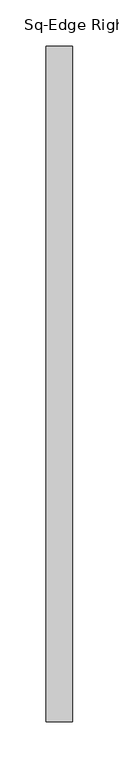
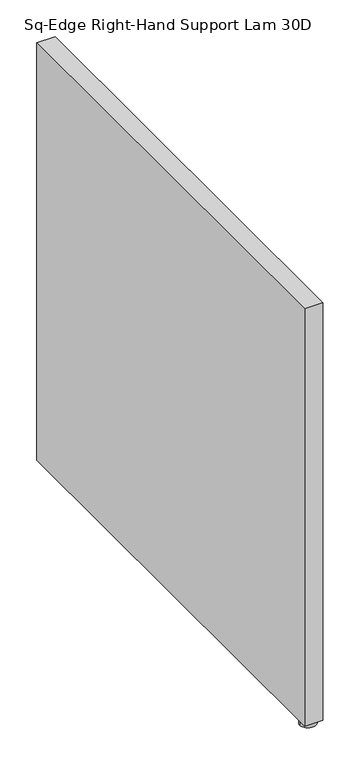
"""IFC4 building model written with IfcOpenShell, lengths in millimetres: furniture geometry, Sq-Edge Right-Hand Support Lam 30D."""

from ifc_helpers import new_model, si_unit, frame, origin, place, context, project, spatial, polyline, circle_curve, outline, extrude, source, transform, mapped, element, save
from ifc_brep_helpers import plane_surface, cylinder_surface, advanced_brep


def sq_edge_right_hand_support_lam_30d_d157680f(model_context):
    return source(origin(), model_context, "Body", "SolidModel", [
        advanced_brep(
        [(-15.9512, -717.1689845, 8.6613997), (-11.8267541, -717.1689845, 8.6613997), (-20.0756459, -717.1689845, 8.6613997), (-28.6512004, -717.1689845, -1e-07), (-3.2511996, -717.1689845, -1e-07), (-15.9512, -717.1689845, -1e-07), (-28.6512004, -717.1689845, 7.874), (-3.2511996, -717.1689845, 7.874), (-20.0756459, -717.1689845, 7.874), (-11.8267541, -717.1689845, 7.874)],
        [
            (0, 1),
            (1, 2, circle_curve(frame((-15.9512, -717.1689845, 8.6613997), z_axis=(0.0, 0.0, 1.0), x_axis=(1.0, 0.0, 0.0)), 4.1244459)),
            (2, 0),
            (2, 1, circle_curve(frame((-15.9512, -717.1689845, 8.6613997), z_axis=(0.0, 0.0, 1.0), x_axis=(1.0, 0.0, 0.0)), 4.1244459)),
            (3, 4, circle_curve(frame((-15.9512, -717.1689845, -1e-07), z_axis=(0.0, 0.0, -1.0), x_axis=(1.0, 0.0, 0.0)), 12.7000004)),
            (4, 5),
            (5, 3),
            (4, 3, circle_curve(frame((-15.9512, -717.1689845, -1e-07), z_axis=(0.0, 0.0, -1.0), x_axis=(1.0, 0.0, 0.0)), 12.7000004)),
            (6, 7, circle_curve(frame((-15.9512, -717.1689845, 7.874), z_axis=(0.0, 0.0, -1.0), x_axis=(1.0, 0.0, 0.0)), 12.7000004)),
            (7, 4),
            (3, 6),
            (7, 6, circle_curve(frame((-15.9512, -717.1689845, 7.874), z_axis=(0.0, 0.0, -1.0), x_axis=(1.0, 0.0, 0.0)), 12.7000004)),
            (8, 9, circle_curve(frame((-15.9512, -717.1689845, 7.874), z_axis=(0.0, 0.0, -1.0), x_axis=(1.0, 0.0, 0.0)), 4.1244459)),
            (9, 7),
            (6, 8),
            (9, 8, circle_curve(frame((-15.9512, -717.1689845, 7.874), z_axis=(0.0, 0.0, -1.0), x_axis=(1.0, 0.0, 0.0)), 4.1244459)),
            (1, 9),
            (8, 2),
        ],
        [
            plane_surface(frame((-15.9512, -717.1689845, 8.6613997), z_axis=(0.0, 0.0, 1.0), x_axis=(1.0, 0.0, 0.0))),
            plane_surface(frame((-15.9512, -717.1689845, -1e-07), z_axis=(0.0, 0.0, -1.0), x_axis=(1.0, 0.0, 0.0))),
            cylinder_surface(frame((-15.9512, -717.1689845, 15.4967659), z_axis=(0.0, 0.0, 1.0), x_axis=(1.0, 0.0, 0.0)), 12.7000004),
            plane_surface(frame((-15.9512, -717.1689845, 7.874), z_axis=(0.0, 0.0, 1.0), x_axis=(1.0, 0.0, 0.0))),
            cylinder_surface(frame((-15.9512, -717.1689845, 15.4967659), z_axis=(0.0, 0.0, 1.0), x_axis=(1.0, 0.0, 0.0)), 4.1244459),
        ],
        [
            (0, [[1, 2, 3]]),
            (0, [[-3, 4, -1]]),
            (1, [[5, 6, 7]]),
            (1, [[8, -7, -6]]),
            (2, [[9, 10, -5, 11]]),
            (2, [[12, -11, -8, -10]]),
            (3, [[13, 14, -9, 15]]),
            (3, [[16, -15, -12, -14]]),
            (4, [[-2, 17, -13, 18]]),
            (4, [[-4, -18, -16, -17]]),
        ],
    ),
        extrude(outline(polyline([(-1.524, -733.044), (-30.3784, -733.044), (-30.3784, -3.556), (-1.524, -3.556), (-1.524, -733.044)])), frame((0.0, 0.0, 8.6614), z_axis=(0.0, 0.0, 1.0), x_axis=(1.0, 0.0, 0.0)), (0.0, 0.0, 1.0), 693.7502),
    ])


if __name__ == "__main__":
    model = new_model("IFC4")
    model_context = context("Model", 3, world=origin())
    ifc_project = project(units=[si_unit("LENGTHUNIT", "METRE", prefix="MILLI")], contexts=[model_context])
    site = spatial("IfcSite", under=ifc_project)
    building = spatial("IfcBuilding", under=site)
    placement = place(None, origin())
    sq_edge_right_hand_support_lam_30d_shape = sq_edge_right_hand_support_lam_30d_d157680f(model_context)
    element("IfcFurniture", 1, ObjectType="Sq-Edge Right-Hand Support Lam 30D", at=placement, inside=building, context=model_context, shape_type="MappedRepresentation", body=[
        mapped(sq_edge_right_hand_support_lam_30d_shape, transform((0.0, 0.0, 0.0), x_axis=(1.0, 0.0, 0.0), y_axis=(0.0, 1.0, 0.0), z_axis=(0.0, 0.0, 1.0))),
    ])
    save(model, "model.ifc")
